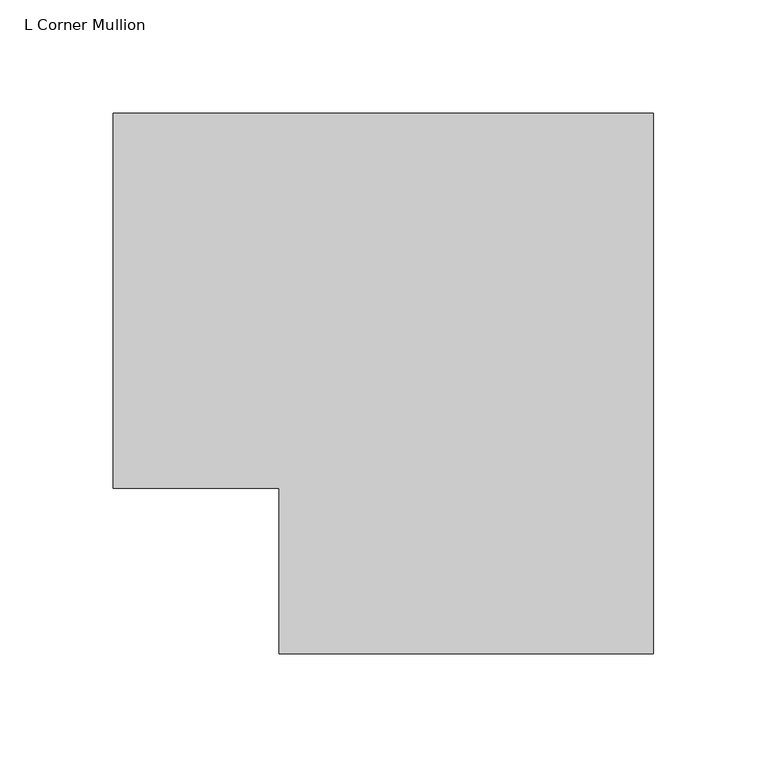
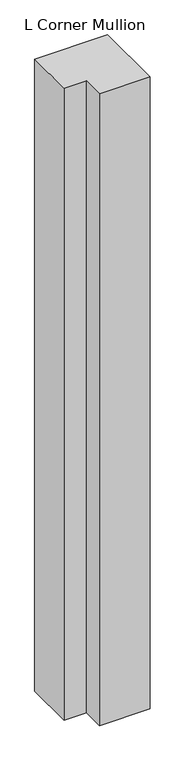
"""IFC4 building model written with IfcOpenShell, lengths in millimetres: member geometry, L Corner Mullion."""

from ifc_helpers import new_model, si_unit, frame, origin, place, context, project, spatial, polyline, outline, extrude, source, transform, mapped, element, save


def l_corner_mullion_63a7282a(model_context):
    return source(origin(), model_context, "Body", "SweptSolid", [
        extrude(outline(polyline([(-12.7, -85.725), (-12.7, -12.7), (-85.725, -12.7), (-85.725, 152.4), (152.4, 152.4), (152.4, -85.725), (-12.7, -85.725)])), frame((0.0, 0.0, -2177.0930655), z_axis=(0.0, 0.0, 1.0), x_axis=(1.0, 0.0, 0.0)), (0.0, 0.0, 1.0), 2177.0930655),
    ])


if __name__ == "__main__":
    model = new_model("IFC4")
    model_context = context("Model", 3, world=origin())
    ifc_project = project(units=[si_unit("LENGTHUNIT", "METRE", prefix="MILLI")], contexts=[model_context])
    site = spatial("IfcSite", under=ifc_project)
    building = spatial("IfcBuilding", under=site)
    placement = place(None, origin())
    l_corner_mullion_shape = l_corner_mullion_63a7282a(model_context)
    element("IfcMember", 1, ObjectType="L Corner Mullion", at=placement, inside=building, context=model_context, shape_type="MappedRepresentation", body=[
        mapped(l_corner_mullion_shape, transform((0.0, 0.0, 0.0), x_axis=(1.0, 0.0, 0.0), y_axis=(0.0, 1.0, 0.0), z_axis=(0.0, 0.0, 1.0))),
    ])
    save(model, "model.ifc")
